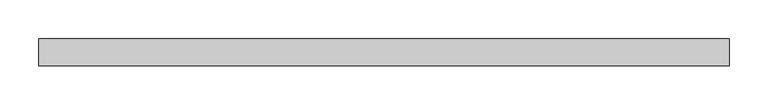
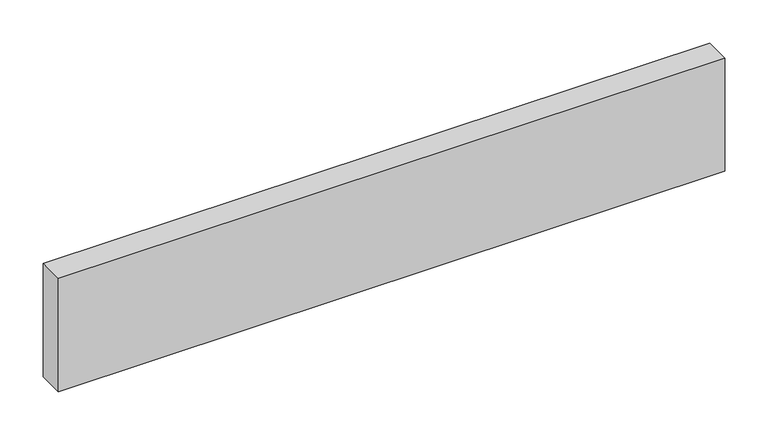
"""IFC4 building model written with IfcOpenShell, lengths in millimetres: plate geometry."""

import ifcopenshell
import ifcopenshell.guid

model = None  # the IFC model being written
_history = None  # IfcOwnerHistory: only IFC2X3 demands one
_inside = {}  # id of a spatial element -> (the spatial element, [elements in it])
_under = {}  # id of a project, library or spatial element -> (it, [spatial elements below it])
_declared = {}  # id of a project -> (the project, [libraries it declares])
_typed = {}  # id of a type object -> (the type object, [elements of that type])
_made_of = {}  # id of a material, layer set ... -> (it, [elements and type objects made of it])


def new_model(schema):
    """Start an empty IFC model of exactly this schema.

    Asked for "IFC4X3", IfcOpenShell would pick the latest addendum, in which some entities
    have other attributes; the version numbers below select the first issue.
    IFC2X3 requires an IfcOwnerHistory on every rooted entity: one is made here for all.
    """
    global model, _history
    if schema == "IFC4X3":
        model = ifcopenshell.file(schema_version=(4, 3, 0, 0))
    else:
        model = ifcopenshell.file(schema=schema)
    _inside.clear()
    _under.clear()
    _declared.clear()
    _typed.clear()
    _made_of.clear()
    _history = None
    if model.schema == "IFC2X3":
        org = make("IfcOrganization", Name="unknown")
        user = make(
            "IfcPersonAndOrganization",
            ThePerson=make("IfcPerson", FamilyName="unknown"),
            TheOrganization=org,
        )
        app = make(
            "IfcApplication",
            ApplicationDeveloper=org,
            Version="unknown",
            ApplicationFullName="unknown",
            ApplicationIdentifier="unknown",
        )
        _history = make(
            "IfcOwnerHistory",
            OwningUser=user,
            OwningApplication=app,
            ChangeAction="ADDED",
            CreationDate=0,
        )
    return model


def make(cls, **values):
    """One entity of the class cls with the attributes given. An attribute that is None is left unset."""
    return model.create_entity(
        cls, **{name: value for name, value in values.items() if value is not None}
    )


def rooted(cls, **values):
    """An entity with a GlobalId (a new one), such as an element, a storey or a relation."""
    return make(cls, GlobalId=ifcopenshell.guid.new(), OwnerHistory=_history, **values)


def si_unit(unit_type, name, prefix=None):
    """IfcSIUnit, for example si_unit("LENGTHUNIT", "METRE", prefix="MILLI")."""
    return make("IfcSIUnit", UnitType=unit_type, Prefix=prefix, Name=name)


def assignment(units):
    """IfcUnitAssignment: the units of a project."""
    return None if units is None else make("IfcUnitAssignment", Units=units)


def point(xyz):
    """IfcCartesianPoint."""
    return None if xyz is None else make("IfcCartesianPoint", Coordinates=xyz)


def direction(xyz):
    """IfcDirection."""
    return None if xyz is None else make("IfcDirection", DirectionRatios=xyz)


def frame(location, z_axis=None, x_axis=None):
    """IfcAxis2Placement3D, a coordinate frame: its origin and axes. An axis left out is left unset."""
    return make(
        "IfcAxis2Placement3D",
        Location=point(location),
        Axis=direction(z_axis),
        RefDirection=direction(x_axis),
    )


def origin():
    """The frame at (0, 0, 0) with its axes left unset."""
    return frame((0.0, 0.0, 0.0))


def origin_with_axes():
    """The frame at (0, 0, 0) with the z axis (0, 0, 1) and the x axis (1, 0, 0) written out."""
    return frame((0.0, 0.0, 0.0), z_axis=(0.0, 0.0, 1.0), x_axis=(1.0, 0.0, 0.0))


def place(relative_to, where):
    """IfcLocalPlacement: puts the frame where relative to a parent placement (None: the world)."""
    return make(
        "IfcLocalPlacement", PlacementRelTo=relative_to, RelativePlacement=where
    )


def context(
    kind, dimensions, precision=None, world=None, true_north=None, identifier=None
):
    """IfcGeometricRepresentationContext, for example the 3D "Model" context."""
    return make(
        "IfcGeometricRepresentationContext",
        ContextIdentifier=identifier,
        ContextType=kind,
        CoordinateSpaceDimension=dimensions,
        Precision=precision,
        WorldCoordinateSystem=world,
        TrueNorth=true_north,
    )


def project(units=None, contexts=None):
    """IfcProject with its units and contexts."""
    return rooted(
        "IfcProject",
        Name="project",
        RepresentationContexts=contexts,
        UnitsInContext=assignment(units),
    )


def spatial(cls, under=None, at=None, **own):
    """A site, building, storey or space (cls), placed at a placement, below another one or the project."""
    s = rooted(cls, ObjectPlacement=at, **own)
    if under is not None:
        _under.setdefault(under.id(), (under, []))[1].append(s)
    return s


def polyline(points):
    """IfcPolyline through the points."""
    return make("IfcPolyline", Points=[point(p) for p in points])


def outline(outer, holes=None, kind="AREA"):
    """IfcArbitraryClosedProfileDef: a profile drawn as a closed curve; with holes, ...WithVoids."""
    if holes is None:
        return make("IfcArbitraryClosedProfileDef", ProfileType=kind, OuterCurve=outer)
    return make(
        "IfcArbitraryProfileDefWithVoids",
        ProfileType=kind,
        OuterCurve=outer,
        InnerCurves=holes,
    )


def extrude(swept, where, along, depth):
    """IfcExtrudedAreaSolid: the profile swept, set in the frame where, extruded along a direction by depth."""
    return make(
        "IfcExtrudedAreaSolid",
        SweptArea=swept,
        Position=where,
        ExtrudedDirection=direction(along),
        Depth=depth,
    )


def shape(context_of_items, identifier, shape_type, items):
    """IfcShapeRepresentation: the items that make up one representation, for example the "Body"."""
    return make(
        "IfcShapeRepresentation",
        ContextOfItems=context_of_items,
        RepresentationIdentifier=identifier,
        RepresentationType=shape_type,
        Items=items,
    )


def source(mapping_origin, context_of_items, identifier, shape_type, items):
    """IfcRepresentationMap: a shape defined once, which mapped items show again and again."""
    return make(
        "IfcRepresentationMap",
        MappingOrigin=mapping_origin,
        MappedRepresentation=shape(context_of_items, identifier, shape_type, items),
    )


def transform(
    local_origin,
    x_axis=None,
    y_axis=None,
    z_axis=None,
    scale=None,
    scale2=None,
    scale3=None,
    uniform=True,
):
    """IfcCartesianTransformationOperator3D, or its non-uniform kind. x_axis, y_axis, z_axis: its Axis1, 2, 3."""
    if uniform:
        return make(
            "IfcCartesianTransformationOperator3D",
            Axis1=direction(x_axis),
            Axis2=direction(y_axis),
            LocalOrigin=point(local_origin),
            Scale=scale,
            Axis3=direction(z_axis),
        )
    return make(
        "IfcCartesianTransformationOperator3DnonUniform",
        Axis1=direction(x_axis),
        Axis2=direction(y_axis),
        LocalOrigin=point(local_origin),
        Scale=scale,
        Axis3=direction(z_axis),
        Scale2=scale2,
        Scale3=scale3,
    )


def mapped(mapping_source, mapping_target):
    """IfcMappedItem: shows the shape of a source again, moved by a transform."""
    return make(
        "IfcMappedItem", MappingSource=mapping_source, MappingTarget=mapping_target
    )


def made_of(thing, what):
    """Note that an element or type object is made of a material, layer set ...; save() writes the relation."""
    if what is not None:
        _made_of.setdefault(what.id(), (what, []))[1].append(thing)
    return thing


def element(
    cls,
    number,
    at=None,
    inside=None,
    cuts=None,
    type_object=None,
    material=None,
    context=None,
    identifier="Body",
    shape_type=None,
    held_by="IfcProductDefinitionShape",
    body=None,
    shapes=None,
    **own,
):
    """One element of the class cls, such as IfcWall. Its Tag is "e" and its number.

    at: its placement. inside: the storey or other place that contains it. cuts: it is an
    opening in that element (IfcRelVoidsElement). A single representation is given by context,
    identifier, shape_type and body (its items); several are given by shapes. held_by: the class
    of the entity that holds the representations. save() writes the other relations.
    """
    e = rooted(cls, Tag="e%d" % number, ObjectPlacement=at, **own)
    if body is not None:
        shapes = [shape(context, identifier, shape_type, body)]
    if shapes is not None:
        e.Representation = make(held_by, Representations=shapes)
    if inside is not None:
        _inside.setdefault(inside.id(), (inside, []))[1].append(e)
    if cuts is not None:
        rooted(
            "IfcRelVoidsElement", RelatingBuildingElement=cuts, RelatedOpeningElement=e
        )
    if type_object is not None:
        _typed.setdefault(type_object.id(), (type_object, []))[1].append(e)
    return made_of(e, material)


def aggregate(whole, parts):
    """IfcRelAggregates: a whole, such as a stair, and the parts it consists of."""
    return rooted("IfcRelAggregates", RelatingObject=whole, RelatedObjects=parts)


def save(model, path):
    """Write the relations noted so far, then the file.

    IfcRelAggregates (storeys below a building ...), IfcRelContainedInSpatialStructure (elements
    in a storey), IfcRelDefinesByType, IfcRelAssociatesMaterial and IfcRelDeclares: one each for
    every whole, place, type object, material and project.
    """
    for whole, parts in _under.values():
        aggregate(whole, parts)
    for where, things in _inside.values():
        rooted(
            "IfcRelContainedInSpatialStructure",
            RelatedElements=things,
            RelatingStructure=where,
        )
    for kind, things in _typed.values():
        rooted("IfcRelDefinesByType", RelatedObjects=things, RelatingType=kind)
    for what, things in _made_of.values():
        rooted("IfcRelAssociatesMaterial", RelatedObjects=things, RelatingMaterial=what)
    for by, libraries in _declared.values():
        rooted("IfcRelDeclares", RelatingContext=by, RelatedDefinitions=libraries)
    model.write(path)


def plate_a05c4f26(model_context):
    return source(origin(), model_context, "Body", "SweptSolid", [
        extrude(outline(polyline([(445.5299082, -17.5), (-445.5299082, -17.5), (-445.5299082, 17.5), (445.5299082, 17.5), (445.5299082, -17.5)])), origin_with_axes(), (0.0, 0.0, 1.0), 160.0),
    ])


if __name__ == "__main__":
    model = new_model("IFC4")
    model_context = context("Model", 3, world=origin())
    ifc_project = project(units=[si_unit("LENGTHUNIT", "METRE", prefix="MILLI")], contexts=[model_context])
    site = spatial("IfcSite", under=ifc_project)
    building = spatial("IfcBuilding", under=site)
    placement = place(None, origin())
    plate_shape = plate_a05c4f26(model_context)
    element("IfcPlate", 1, at=placement, inside=building, context=model_context, shape_type="MappedRepresentation", body=[
        mapped(plate_shape, transform((0.0, 0.0, 0.0), x_axis=(1.0, 0.0, 0.0), y_axis=(0.0, 1.0, 0.0), z_axis=(0.0, 0.0, 1.0))),
    ])
    save(model, "model.ifc")
